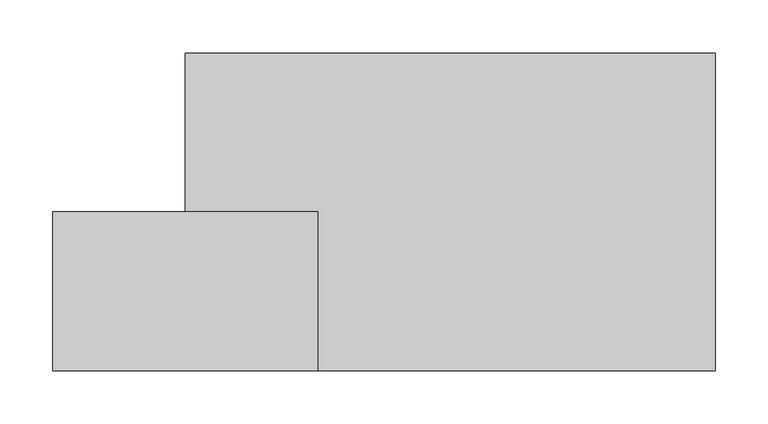
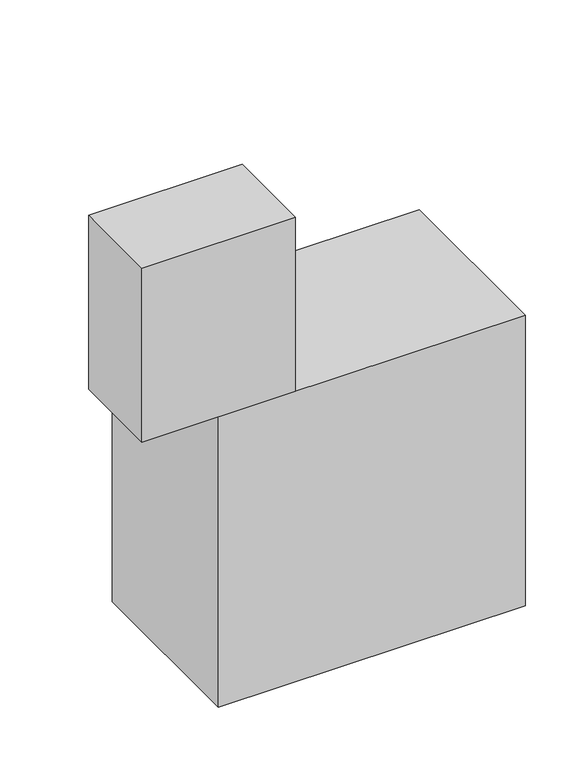
"""IFC4 building model written with IfcOpenShell, lengths in millimetres: proxy geometry."""

import ifcopenshell
import ifcopenshell.guid

model = None  # the IFC model being written
_history = None  # IfcOwnerHistory: only IFC2X3 demands one
_inside = {}  # id of a spatial element -> (the spatial element, [elements in it])
_under = {}  # id of a project, library or spatial element -> (it, [spatial elements below it])
_declared = {}  # id of a project -> (the project, [libraries it declares])
_typed = {}  # id of a type object -> (the type object, [elements of that type])
_made_of = {}  # id of a material, layer set ... -> (it, [elements and type objects made of it])


def new_model(schema):
    """Start an empty IFC model of exactly this schema.

    Asked for "IFC4X3", IfcOpenShell would pick the latest addendum, in which some entities
    have other attributes; the version numbers below select the first issue.
    IFC2X3 requires an IfcOwnerHistory on every rooted entity: one is made here for all.
    """
    global model, _history
    if schema == "IFC4X3":
        model = ifcopenshell.file(schema_version=(4, 3, 0, 0))
    else:
        model = ifcopenshell.file(schema=schema)
    _inside.clear()
    _under.clear()
    _declared.clear()
    _typed.clear()
    _made_of.clear()
    _history = None
    if model.schema == "IFC2X3":
        org = make("IfcOrganization", Name="unknown")
        user = make(
            "IfcPersonAndOrganization",
            ThePerson=make("IfcPerson", FamilyName="unknown"),
            TheOrganization=org,
        )
        app = make(
            "IfcApplication",
            ApplicationDeveloper=org,
            Version="unknown",
            ApplicationFullName="unknown",
            ApplicationIdentifier="unknown",
        )
        _history = make(
            "IfcOwnerHistory",
            OwningUser=user,
            OwningApplication=app,
            ChangeAction="ADDED",
            CreationDate=0,
        )
    return model


def make(cls, **values):
    """One entity of the class cls with the attributes given. An attribute that is None is left unset."""
    return model.create_entity(
        cls, **{name: value for name, value in values.items() if value is not None}
    )


def rooted(cls, **values):
    """An entity with a GlobalId (a new one), such as an element, a storey or a relation."""
    return make(cls, GlobalId=ifcopenshell.guid.new(), OwnerHistory=_history, **values)


def si_unit(unit_type, name, prefix=None):
    """IfcSIUnit, for example si_unit("LENGTHUNIT", "METRE", prefix="MILLI")."""
    return make("IfcSIUnit", UnitType=unit_type, Prefix=prefix, Name=name)


def assignment(units):
    """IfcUnitAssignment: the units of a project."""
    return None if units is None else make("IfcUnitAssignment", Units=units)


def point(xyz):
    """IfcCartesianPoint."""
    return None if xyz is None else make("IfcCartesianPoint", Coordinates=xyz)


def direction(xyz):
    """IfcDirection."""
    return None if xyz is None else make("IfcDirection", DirectionRatios=xyz)


def frame(location, z_axis=None, x_axis=None):
    """IfcAxis2Placement3D, a coordinate frame: its origin and axes. An axis left out is left unset."""
    return make(
        "IfcAxis2Placement3D",
        Location=point(location),
        Axis=direction(z_axis),
        RefDirection=direction(x_axis),
    )


def origin():
    """The frame at (0, 0, 0) with its axes left unset."""
    return frame((0.0, 0.0, 0.0))


def origin_with_axes():
    """The frame at (0, 0, 0) with the z axis (0, 0, 1) and the x axis (1, 0, 0) written out."""
    return frame((0.0, 0.0, 0.0), z_axis=(0.0, 0.0, 1.0), x_axis=(1.0, 0.0, 0.0))


def place(relative_to, where):
    """IfcLocalPlacement: puts the frame where relative to a parent placement (None: the world)."""
    return make(
        "IfcLocalPlacement", PlacementRelTo=relative_to, RelativePlacement=where
    )


def context(
    kind, dimensions, precision=None, world=None, true_north=None, identifier=None
):
    """IfcGeometricRepresentationContext, for example the 3D "Model" context."""
    return make(
        "IfcGeometricRepresentationContext",
        ContextIdentifier=identifier,
        ContextType=kind,
        CoordinateSpaceDimension=dimensions,
        Precision=precision,
        WorldCoordinateSystem=world,
        TrueNorth=true_north,
    )


def project(units=None, contexts=None):
    """IfcProject with its units and contexts."""
    return rooted(
        "IfcProject",
        Name="project",
        RepresentationContexts=contexts,
        UnitsInContext=assignment(units),
    )


def spatial(cls, under=None, at=None, **own):
    """A site, building, storey or space (cls), placed at a placement, below another one or the project."""
    s = rooted(cls, ObjectPlacement=at, **own)
    if under is not None:
        _under.setdefault(under.id(), (under, []))[1].append(s)
    return s


def polyline(points):
    """IfcPolyline through the points."""
    return make("IfcPolyline", Points=[point(p) for p in points])


def outline(outer, holes=None, kind="AREA"):
    """IfcArbitraryClosedProfileDef: a profile drawn as a closed curve; with holes, ...WithVoids."""
    if holes is None:
        return make("IfcArbitraryClosedProfileDef", ProfileType=kind, OuterCurve=outer)
    return make(
        "IfcArbitraryProfileDefWithVoids",
        ProfileType=kind,
        OuterCurve=outer,
        InnerCurves=holes,
    )


def extrude(swept, where, along, depth):
    """IfcExtrudedAreaSolid: the profile swept, set in the frame where, extruded along a direction by depth."""
    return make(
        "IfcExtrudedAreaSolid",
        SweptArea=swept,
        Position=where,
        ExtrudedDirection=direction(along),
        Depth=depth,
    )


def shape(context_of_items, identifier, shape_type, items):
    """IfcShapeRepresentation: the items that make up one representation, for example the "Body"."""
    return make(
        "IfcShapeRepresentation",
        ContextOfItems=context_of_items,
        RepresentationIdentifier=identifier,
        RepresentationType=shape_type,
        Items=items,
    )


def source(mapping_origin, context_of_items, identifier, shape_type, items):
    """IfcRepresentationMap: a shape defined once, which mapped items show again and again."""
    return make(
        "IfcRepresentationMap",
        MappingOrigin=mapping_origin,
        MappedRepresentation=shape(context_of_items, identifier, shape_type, items),
    )


def transform(
    local_origin,
    x_axis=None,
    y_axis=None,
    z_axis=None,
    scale=None,
    scale2=None,
    scale3=None,
    uniform=True,
):
    """IfcCartesianTransformationOperator3D, or its non-uniform kind. x_axis, y_axis, z_axis: its Axis1, 2, 3."""
    if uniform:
        return make(
            "IfcCartesianTransformationOperator3D",
            Axis1=direction(x_axis),
            Axis2=direction(y_axis),
            LocalOrigin=point(local_origin),
            Scale=scale,
            Axis3=direction(z_axis),
        )
    return make(
        "IfcCartesianTransformationOperator3DnonUniform",
        Axis1=direction(x_axis),
        Axis2=direction(y_axis),
        LocalOrigin=point(local_origin),
        Scale=scale,
        Axis3=direction(z_axis),
        Scale2=scale2,
        Scale3=scale3,
    )


def mapped(mapping_source, mapping_target):
    """IfcMappedItem: shows the shape of a source again, moved by a transform."""
    return make(
        "IfcMappedItem", MappingSource=mapping_source, MappingTarget=mapping_target
    )


def made_of(thing, what):
    """Note that an element or type object is made of a material, layer set ...; save() writes the relation."""
    if what is not None:
        _made_of.setdefault(what.id(), (what, []))[1].append(thing)
    return thing


def element(
    cls,
    number,
    at=None,
    inside=None,
    cuts=None,
    type_object=None,
    material=None,
    context=None,
    identifier="Body",
    shape_type=None,
    held_by="IfcProductDefinitionShape",
    body=None,
    shapes=None,
    **own,
):
    """One element of the class cls, such as IfcWall. Its Tag is "e" and its number.

    at: its placement. inside: the storey or other place that contains it. cuts: it is an
    opening in that element (IfcRelVoidsElement). A single representation is given by context,
    identifier, shape_type and body (its items); several are given by shapes. held_by: the class
    of the entity that holds the representations. save() writes the other relations.
    """
    e = rooted(cls, Tag="e%d" % number, ObjectPlacement=at, **own)
    if body is not None:
        shapes = [shape(context, identifier, shape_type, body)]
    if shapes is not None:
        e.Representation = make(held_by, Representations=shapes)
    if inside is not None:
        _inside.setdefault(inside.id(), (inside, []))[1].append(e)
    if cuts is not None:
        rooted(
            "IfcRelVoidsElement", RelatingBuildingElement=cuts, RelatedOpeningElement=e
        )
    if type_object is not None:
        _typed.setdefault(type_object.id(), (type_object, []))[1].append(e)
    return made_of(e, material)


def aggregate(whole, parts):
    """IfcRelAggregates: a whole, such as a stair, and the parts it consists of."""
    return rooted("IfcRelAggregates", RelatingObject=whole, RelatedObjects=parts)


def save(model, path):
    """Write the relations noted so far, then the file.

    IfcRelAggregates (storeys below a building ...), IfcRelContainedInSpatialStructure (elements
    in a storey), IfcRelDefinesByType, IfcRelAssociatesMaterial and IfcRelDeclares: one each for
    every whole, place, type object, material and project.
    """
    for whole, parts in _under.values():
        aggregate(whole, parts)
    for where, things in _inside.values():
        rooted(
            "IfcRelContainedInSpatialStructure",
            RelatedElements=things,
            RelatingStructure=where,
        )
    for kind, things in _typed.values():
        rooted("IfcRelDefinesByType", RelatedObjects=things, RelatingType=kind)
    for what, things in _made_of.values():
        rooted("IfcRelAssociatesMaterial", RelatedObjects=things, RelatingMaterial=what)
    for by, libraries in _declared.values():
        rooted("IfcRelDeclares", RelatingContext=by, RelatedDefinitions=libraries)
    model.write(path)


def specialty_equipment_4eeee178(model_context):
    return source(origin(), model_context, "Body", "SweptSolid", [
        extrude(outline(polyline([(125.0, 0.0), (-125.0, 0.0), (-125.0, 150.0), (125.0, 150.0), (125.0, 0.0)])), frame((0.0, 0.0, 499.9568211), z_axis=(0.0, 0.0, 1.0), x_axis=(1.0, 0.0, 0.0)), (0.0, 0.0, 1.0), 300.0),
        extrude(outline(polyline([(500.0, 0.0), (0.0, 0.0), (0.0, 300.0), (500.0, 300.0), (500.0, 0.0)])), origin_with_axes(), (0.0, 0.0, 1.0), 500.0),
    ])


if __name__ == "__main__":
    model = new_model("IFC4")
    model_context = context("Model", 3, world=origin())
    ifc_project = project(units=[si_unit("LENGTHUNIT", "METRE", prefix="MILLI")], contexts=[model_context])
    site = spatial("IfcSite", under=ifc_project)
    building = spatial("IfcBuilding", under=site)
    placement = place(None, origin())
    specialty_equipment_shape = specialty_equipment_4eeee178(model_context)
    element("IfcBuildingElementProxy", 1, Name="Specialty Equipment", at=placement, inside=building, context=model_context, shape_type="MappedRepresentation", body=[
        mapped(specialty_equipment_shape, transform((0.0, 0.0, 0.0), x_axis=(1.0, 0.0, 0.0), y_axis=(0.0, 1.0, 0.0), z_axis=(0.0, 0.0, 1.0))),
    ])
    save(model, "model.ifc")
